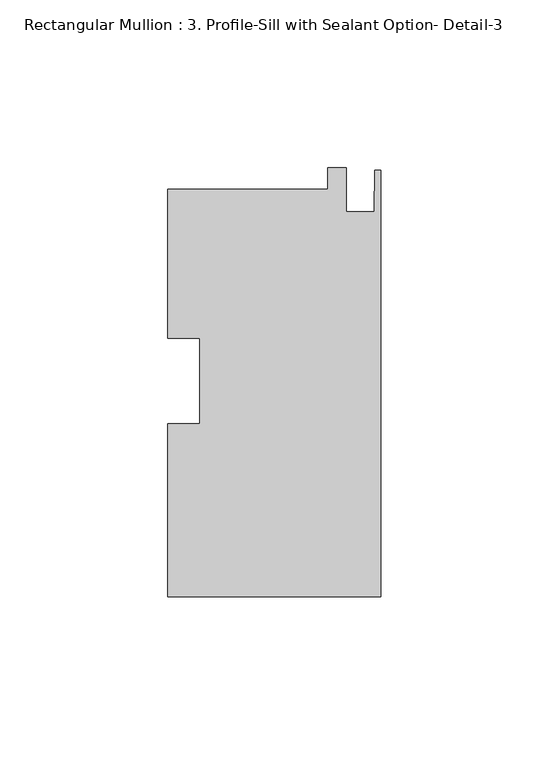
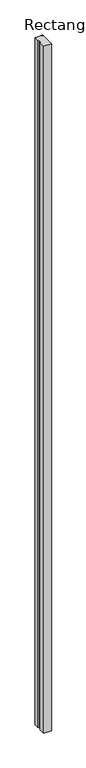
"""IFC4 building model written with IfcOpenShell, lengths in millimetres: member geometry, Rectangular Mullion : 3. Profile-Sill with Sealant Option- Detail-3."""

from ifc_helpers import new_model, si_unit, frame, origin, place, context, project, spatial, polyline, outline, extrude, source, transform, mapped, element, save


def rectangular_mullion_3_profile_sill_with_sealant_option_51507c09(model_context):
    return source(origin(), model_context, "Body", "SweptSolid", [
        extrude(outline(polyline([(-15.875, 33.3680717), (-15.875, 39.7180717), (-10.3124, 39.7180717), (-10.3124, 26.5862717), (-2.032, 26.5862717), (-1.778, 38.9306717), (0.0, 38.9306717), (0.0, -88.0628513), (-63.5, -88.0628513), (-63.5, -36.5368674), (-53.975, -36.5368674), (-53.975, -11.0491691), (-63.5, -11.0491691), (-63.5, 33.3680717), (-15.875, 33.3680717)])), frame((0.0, 0.0, -6000.75), z_axis=(0.0, 0.0, 1.0), x_axis=(1.0, 0.0, 0.0)), (0.0, 0.0, 1.0), 6000.75),
    ])


if __name__ == "__main__":
    model = new_model("IFC4")
    model_context = context("Model", 3, world=origin())
    ifc_project = project(units=[si_unit("LENGTHUNIT", "METRE", prefix="MILLI")], contexts=[model_context])
    site = spatial("IfcSite", under=ifc_project)
    building = spatial("IfcBuilding", under=site)
    placement = place(None, origin())
    rectangular_mullion_3_profile_sill_with_sealant_option_shape = rectangular_mullion_3_profile_sill_with_sealant_option_51507c09(model_context)
    element("IfcMember", 1, ObjectType="Rectangular Mullion : 3. Profile-Sill with Sealant Option- Detail-3", at=placement, inside=building, context=model_context, shape_type="MappedRepresentation", body=[
        mapped(rectangular_mullion_3_profile_sill_with_sealant_option_shape, transform((0.0, 0.0, 0.0), x_axis=(1.0, 0.0, 0.0), y_axis=(0.0, 1.0, 0.0), z_axis=(0.0, 0.0, 1.0))),
    ])
    save(model, "model.ifc")
